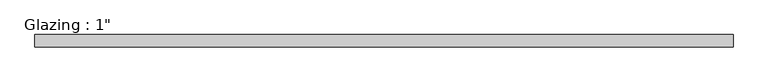
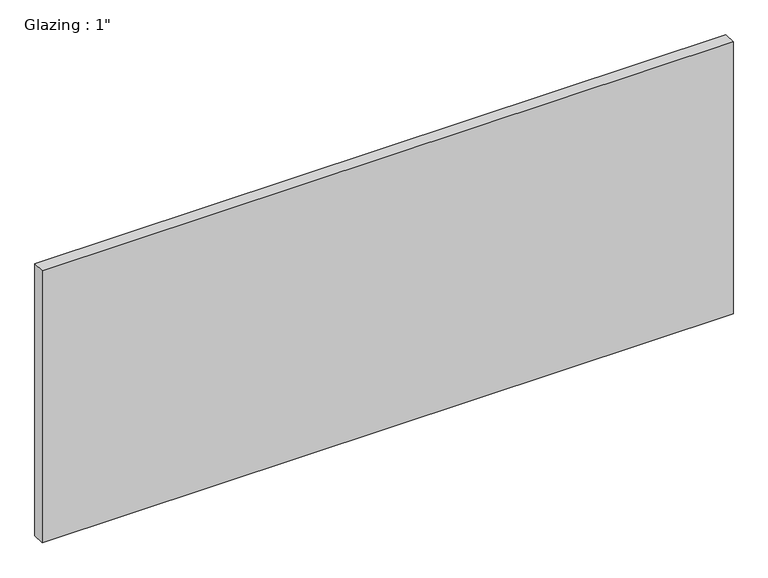
"""IFC4 building model written with IfcOpenShell, lengths in millimetres: plate geometry."""

from ifc_helpers import new_model, si_unit, origin, origin_with_axes, place, context, project, spatial, polyline, outline, extrude, source, transform, mapped, element, save


def plate_dd2069bb(model_context):
    return source(origin(), model_context, "Body", "SweptSolid", [
        extrude(outline(polyline([(713.8392649, -12.7), (-713.8392649, -12.7), (-713.8392649, 12.7), (713.8392649, 12.7), (713.8392649, -12.7)])), origin_with_axes(), (0.0, 0.0, 1.0), 593.7249245),
    ])


if __name__ == "__main__":
    model = new_model("IFC4")
    model_context = context("Model", 3, world=origin())
    ifc_project = project(units=[si_unit("LENGTHUNIT", "METRE", prefix="MILLI")], contexts=[model_context])
    site = spatial("IfcSite", under=ifc_project)
    building = spatial("IfcBuilding", under=site)
    placement = place(None, origin())
    plate_shape = plate_dd2069bb(model_context)
    element("IfcPlate", 1, ObjectType="Glazing : 1\"", at=placement, inside=building, context=model_context, shape_type="MappedRepresentation", body=[
        mapped(plate_shape, transform((0.0, 0.0, 0.0), x_axis=(1.0, 0.0, 0.0), y_axis=(0.0, 1.0, 0.0), z_axis=(0.0, 0.0, 1.0))),
    ])
    save(model, "model.ifc")
